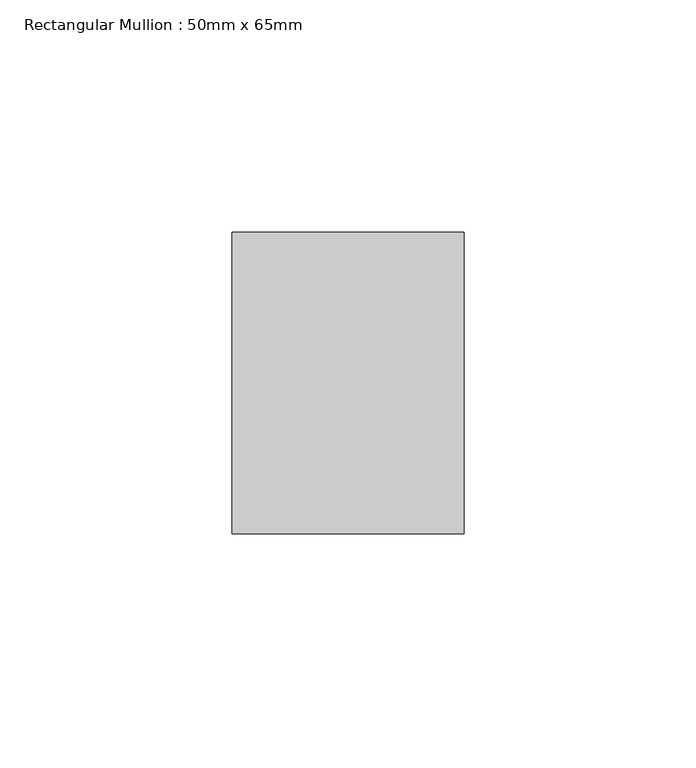
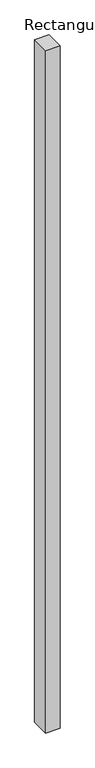
"""IFC4 building model written with IfcOpenShell, lengths in millimetres: member geometry, Rectangular Mullion : 50mm x 65mm."""

from ifc_helpers import new_model, si_unit, frame, origin, place, context, project, spatial, polyline, outline, extrude, source, transform, mapped, element, save


def rectangular_mullion_50mm_x_65mm_500b636a(model_context):
    return source(origin(), model_context, "Body", "SweptSolid", [
        extrude(outline(polyline([(25.0, 32.5), (25.0, -32.5), (-25.0, -32.5), (-25.0, 32.5), (25.0, 32.5)])), frame((0.0, 0.0, -2478.0258123), z_axis=(0.0, 0.0, 1.0), x_axis=(1.0, 0.0, 0.0)), (0.0, 0.0, 1.0), 2478.0258123),
    ])


if __name__ == "__main__":
    model = new_model("IFC4")
    model_context = context("Model", 3, world=origin())
    ifc_project = project(units=[si_unit("LENGTHUNIT", "METRE", prefix="MILLI")], contexts=[model_context])
    site = spatial("IfcSite", under=ifc_project)
    building = spatial("IfcBuilding", under=site)
    placement = place(None, origin())
    rectangular_mullion_50mm_x_65mm_shape = rectangular_mullion_50mm_x_65mm_500b636a(model_context)
    element("IfcMember", 1, ObjectType="Rectangular Mullion : 50mm x 65mm", at=placement, inside=building, context=model_context, shape_type="MappedRepresentation", body=[
        mapped(rectangular_mullion_50mm_x_65mm_shape, transform((0.0, 0.0, 0.0), x_axis=(1.0, 0.0, 0.0), y_axis=(0.0, 1.0, 0.0), z_axis=(0.0, 0.0, 1.0))),
    ])
    save(model, "model.ifc")
